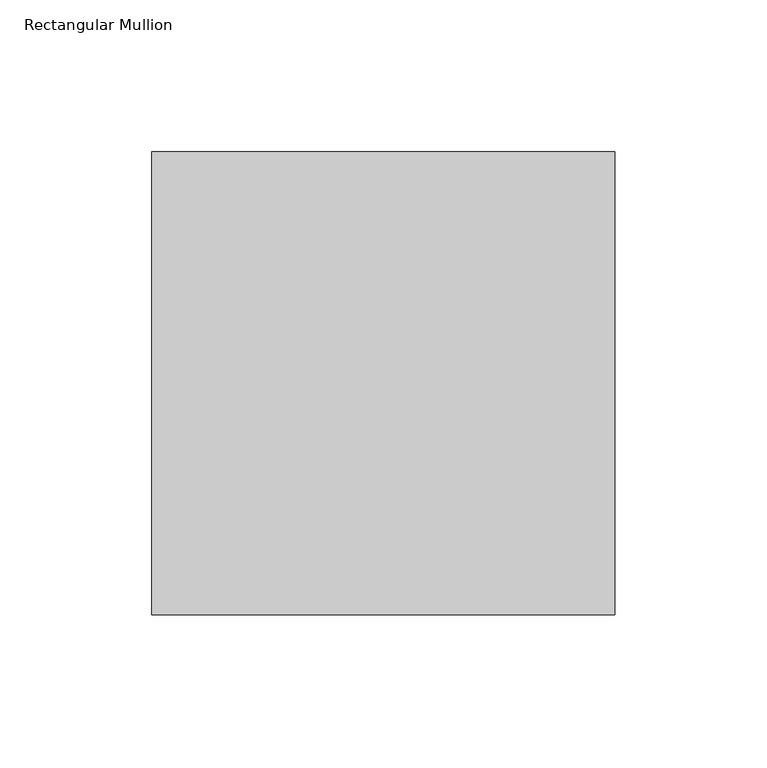
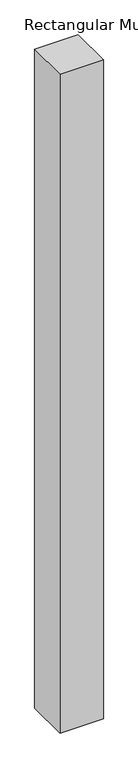
"""IFC4 building model written with IfcOpenShell, lengths in millimetres: member geometry, Rectangular Mullion."""

from ifc_helpers import new_model, si_unit, frame, origin, place, context, project, spatial, polyline, outline, extrude, source, transform, mapped, element, save


def rectangular_mullion_cd25e950(model_context):
    return source(origin(), model_context, "Body", "SweptSolid", [
        extrude(outline(polyline([(0.0, -76.2), (-152.4, -76.2), (-152.4, 76.2), (0.0, 76.2), (0.0, -76.2)])), frame((0.0, 0.0, -2438.4), z_axis=(0.0, 0.0, 1.0), x_axis=(1.0, 0.0, 0.0)), (0.0, 0.0, 1.0), 2438.4),
    ])


if __name__ == "__main__":
    model = new_model("IFC4")
    model_context = context("Model", 3, world=origin())
    ifc_project = project(units=[si_unit("LENGTHUNIT", "METRE", prefix="MILLI")], contexts=[model_context])
    site = spatial("IfcSite", under=ifc_project)
    building = spatial("IfcBuilding", under=site)
    placement = place(None, origin())
    rectangular_mullion_shape = rectangular_mullion_cd25e950(model_context)
    element("IfcMember", 1, ObjectType="Rectangular Mullion", at=placement, inside=building, context=model_context, shape_type="MappedRepresentation", body=[
        mapped(rectangular_mullion_shape, transform((0.0, 0.0, 0.0), x_axis=(1.0, 0.0, 0.0), y_axis=(0.0, 1.0, 0.0), z_axis=(0.0, 0.0, 1.0))),
    ])
    save(model, "model.ifc")
